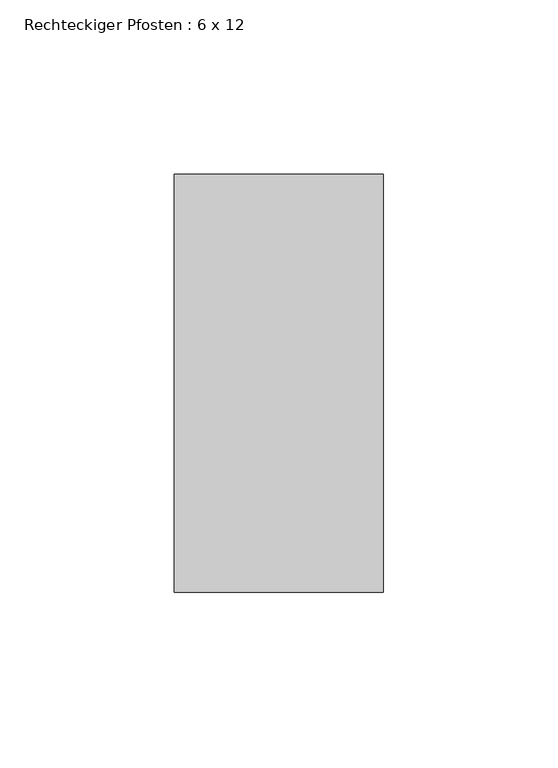
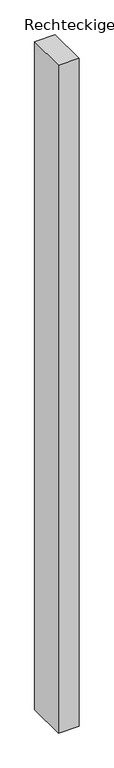
"""IFC4 building model written with IfcOpenShell, lengths in millimetres: member geometry, Rechteckiger Pfosten : 6 x 12."""

from ifc_helpers import new_model, si_unit, frame, origin, place, context, project, spatial, polyline, outline, extrude, source, transform, mapped, element, save


def rechteckiger_pfosten_6_x_12_ef51a042(model_context):
    return source(origin(), model_context, "Body", "SweptSolid", [
        extrude(outline(polyline([(0.0, 60.0), (0.0, -60.0), (-60.0, -60.0), (-60.0, 60.0), (0.0, 60.0)])), frame((0.0, 0.0, -2062.2426055), z_axis=(0.0, 0.0, 1.0), x_axis=(1.0, 0.0, 0.0)), (0.0, 0.0, 1.0), 2062.2426055),
    ])


if __name__ == "__main__":
    model = new_model("IFC4")
    model_context = context("Model", 3, world=origin())
    ifc_project = project(units=[si_unit("LENGTHUNIT", "METRE", prefix="MILLI")], contexts=[model_context])
    site = spatial("IfcSite", under=ifc_project)
    building = spatial("IfcBuilding", under=site)
    placement = place(None, origin())
    rechteckiger_pfosten_6_x_12_shape = rechteckiger_pfosten_6_x_12_ef51a042(model_context)
    element("IfcMember", 1, ObjectType="Rechteckiger Pfosten : 6 x 12", at=placement, inside=building, context=model_context, shape_type="MappedRepresentation", body=[
        mapped(rechteckiger_pfosten_6_x_12_shape, transform((0.0, 0.0, 0.0), x_axis=(1.0, 0.0, 0.0), y_axis=(0.0, 1.0, 0.0), z_axis=(0.0, 0.0, 1.0))),
    ])
    save(model, "model.ifc")
